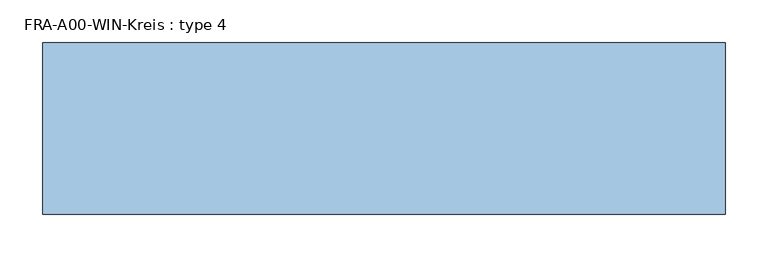
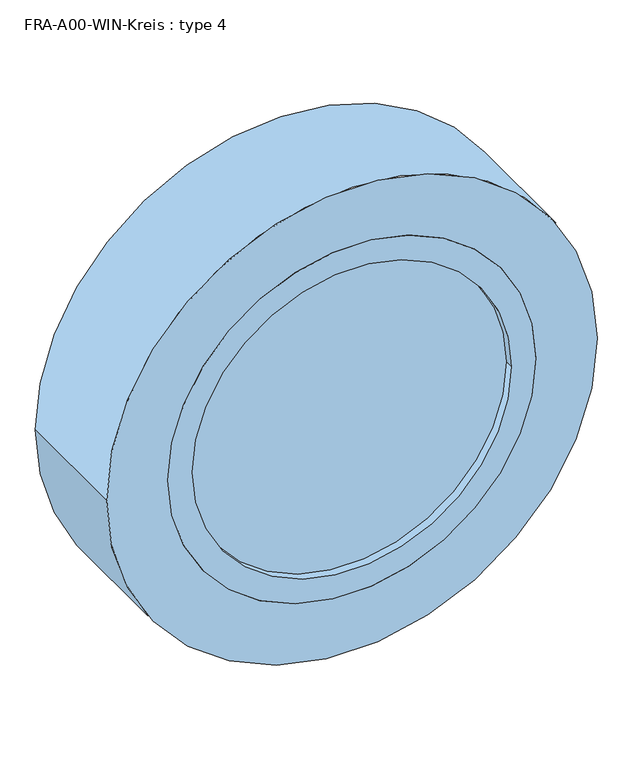
"""IFC4 building model written with IfcOpenShell, lengths in millimetres: window geometry, FRA-A00-WIN-Kreis : type 4."""

import ifcopenshell
import ifcopenshell.guid

model = None  # the IFC model being written
_history = None  # IfcOwnerHistory: only IFC2X3 demands one
_inside = {}  # id of a spatial element -> (the spatial element, [elements in it])
_under = {}  # id of a project, library or spatial element -> (it, [spatial elements below it])
_declared = {}  # id of a project -> (the project, [libraries it declares])
_typed = {}  # id of a type object -> (the type object, [elements of that type])
_made_of = {}  # id of a material, layer set ... -> (it, [elements and type objects made of it])


def new_model(schema):
    """Start an empty IFC model of exactly this schema.

    Asked for "IFC4X3", IfcOpenShell would pick the latest addendum, in which some entities
    have other attributes; the version numbers below select the first issue.
    IFC2X3 requires an IfcOwnerHistory on every rooted entity: one is made here for all.
    """
    global model, _history
    if schema == "IFC4X3":
        model = ifcopenshell.file(schema_version=(4, 3, 0, 0))
    else:
        model = ifcopenshell.file(schema=schema)
    _inside.clear()
    _under.clear()
    _declared.clear()
    _typed.clear()
    _made_of.clear()
    _history = None
    if model.schema == "IFC2X3":
        org = make("IfcOrganization", Name="unknown")
        user = make(
            "IfcPersonAndOrganization",
            ThePerson=make("IfcPerson", FamilyName="unknown"),
            TheOrganization=org,
        )
        app = make(
            "IfcApplication",
            ApplicationDeveloper=org,
            Version="unknown",
            ApplicationFullName="unknown",
            ApplicationIdentifier="unknown",
        )
        _history = make(
            "IfcOwnerHistory",
            OwningUser=user,
            OwningApplication=app,
            ChangeAction="ADDED",
            CreationDate=0,
        )
    return model


def make(cls, **values):
    """One entity of the class cls with the attributes given. An attribute that is None is left unset."""
    return model.create_entity(
        cls, **{name: value for name, value in values.items() if value is not None}
    )


def rooted(cls, **values):
    """An entity with a GlobalId (a new one), such as an element, a storey or a relation."""
    return make(cls, GlobalId=ifcopenshell.guid.new(), OwnerHistory=_history, **values)


def si_unit(unit_type, name, prefix=None):
    """IfcSIUnit, for example si_unit("LENGTHUNIT", "METRE", prefix="MILLI")."""
    return make("IfcSIUnit", UnitType=unit_type, Prefix=prefix, Name=name)


def assignment(units):
    """IfcUnitAssignment: the units of a project."""
    return None if units is None else make("IfcUnitAssignment", Units=units)


def point(xyz):
    """IfcCartesianPoint."""
    return None if xyz is None else make("IfcCartesianPoint", Coordinates=xyz)


def direction(xyz):
    """IfcDirection."""
    return None if xyz is None else make("IfcDirection", DirectionRatios=xyz)


def frame(location, z_axis=None, x_axis=None):
    """IfcAxis2Placement3D, a coordinate frame: its origin and axes. An axis left out is left unset."""
    return make(
        "IfcAxis2Placement3D",
        Location=point(location),
        Axis=direction(z_axis),
        RefDirection=direction(x_axis),
    )


def frame_2d(location, x_axis=None):
    """IfcAxis2Placement2D, a coordinate frame in the plane: its origin and x axis."""
    return make(
        "IfcAxis2Placement2D", Location=point(location), RefDirection=direction(x_axis)
    )


def origin():
    """The frame at (0, 0, 0) with its axes left unset."""
    return frame((0.0, 0.0, 0.0))


def place(relative_to, where):
    """IfcLocalPlacement: puts the frame where relative to a parent placement (None: the world)."""
    return make(
        "IfcLocalPlacement", PlacementRelTo=relative_to, RelativePlacement=where
    )


def context(
    kind, dimensions, precision=None, world=None, true_north=None, identifier=None
):
    """IfcGeometricRepresentationContext, for example the 3D "Model" context."""
    return make(
        "IfcGeometricRepresentationContext",
        ContextIdentifier=identifier,
        ContextType=kind,
        CoordinateSpaceDimension=dimensions,
        Precision=precision,
        WorldCoordinateSystem=world,
        TrueNorth=true_north,
    )


def project(units=None, contexts=None):
    """IfcProject with its units and contexts."""
    return rooted(
        "IfcProject",
        Name="project",
        RepresentationContexts=contexts,
        UnitsInContext=assignment(units),
    )


def spatial(cls, under=None, at=None, **own):
    """A site, building, storey or space (cls), placed at a placement, below another one or the project."""
    s = rooted(cls, ObjectPlacement=at, **own)
    if under is not None:
        _under.setdefault(under.id(), (under, []))[1].append(s)
    return s


def circle_curve(where, radius):
    """IfcCircle in the frame where."""
    return make("IfcCircle", Position=where, Radius=radius)


def trimmed(basis, trim1, trim2, sense, master):
    """IfcTrimmedCurve: the piece of a basis curve between two trims."""
    return make(
        "IfcTrimmedCurve",
        BasisCurve=basis,
        Trim1=trim1,
        Trim2=trim2,
        SenseAgreement=sense,
        MasterRepresentation=master,
    )


def segment(curve, same_sense, transition):
    """IfcCompositeCurveSegment."""
    return make(
        "IfcCompositeCurveSegment",
        Transition=transition,
        SameSense=same_sense,
        ParentCurve=curve,
    )


def composite_curve(segments, self_intersect=None):
    """IfcCompositeCurve: segments joined end to end."""
    return make("IfcCompositeCurve", Segments=segments, SelfIntersect=self_intersect)


def outline(outer, holes=None, kind="AREA"):
    """IfcArbitraryClosedProfileDef: a profile drawn as a closed curve; with holes, ...WithVoids."""
    if holes is None:
        return make("IfcArbitraryClosedProfileDef", ProfileType=kind, OuterCurve=outer)
    return make(
        "IfcArbitraryProfileDefWithVoids",
        ProfileType=kind,
        OuterCurve=outer,
        InnerCurves=holes,
    )


def extrude(swept, where, along, depth):
    """IfcExtrudedAreaSolid: the profile swept, set in the frame where, extruded along a direction by depth."""
    return make(
        "IfcExtrudedAreaSolid",
        SweptArea=swept,
        Position=where,
        ExtrudedDirection=direction(along),
        Depth=depth,
    )


def shape(context_of_items, identifier, shape_type, items):
    """IfcShapeRepresentation: the items that make up one representation, for example the "Body"."""
    return make(
        "IfcShapeRepresentation",
        ContextOfItems=context_of_items,
        RepresentationIdentifier=identifier,
        RepresentationType=shape_type,
        Items=items,
    )


def source(mapping_origin, context_of_items, identifier, shape_type, items):
    """IfcRepresentationMap: a shape defined once, which mapped items show again and again."""
    return make(
        "IfcRepresentationMap",
        MappingOrigin=mapping_origin,
        MappedRepresentation=shape(context_of_items, identifier, shape_type, items),
    )


def transform(
    local_origin,
    x_axis=None,
    y_axis=None,
    z_axis=None,
    scale=None,
    scale2=None,
    scale3=None,
    uniform=True,
):
    """IfcCartesianTransformationOperator3D, or its non-uniform kind. x_axis, y_axis, z_axis: its Axis1, 2, 3."""
    if uniform:
        return make(
            "IfcCartesianTransformationOperator3D",
            Axis1=direction(x_axis),
            Axis2=direction(y_axis),
            LocalOrigin=point(local_origin),
            Scale=scale,
            Axis3=direction(z_axis),
        )
    return make(
        "IfcCartesianTransformationOperator3DnonUniform",
        Axis1=direction(x_axis),
        Axis2=direction(y_axis),
        LocalOrigin=point(local_origin),
        Scale=scale,
        Axis3=direction(z_axis),
        Scale2=scale2,
        Scale3=scale3,
    )


def mapped(mapping_source, mapping_target):
    """IfcMappedItem: shows the shape of a source again, moved by a transform."""
    return make(
        "IfcMappedItem", MappingSource=mapping_source, MappingTarget=mapping_target
    )


def made_of(thing, what):
    """Note that an element or type object is made of a material, layer set ...; save() writes the relation."""
    if what is not None:
        _made_of.setdefault(what.id(), (what, []))[1].append(thing)
    return thing


def element(
    cls,
    number,
    at=None,
    inside=None,
    cuts=None,
    type_object=None,
    material=None,
    context=None,
    identifier="Body",
    shape_type=None,
    held_by="IfcProductDefinitionShape",
    body=None,
    shapes=None,
    **own,
):
    """One element of the class cls, such as IfcWall. Its Tag is "e" and its number.

    at: its placement. inside: the storey or other place that contains it. cuts: it is an
    opening in that element (IfcRelVoidsElement). A single representation is given by context,
    identifier, shape_type and body (its items); several are given by shapes. held_by: the class
    of the entity that holds the representations. save() writes the other relations.
    """
    e = rooted(cls, Tag="e%d" % number, ObjectPlacement=at, **own)
    if body is not None:
        shapes = [shape(context, identifier, shape_type, body)]
    if shapes is not None:
        e.Representation = make(held_by, Representations=shapes)
    if inside is not None:
        _inside.setdefault(inside.id(), (inside, []))[1].append(e)
    if cuts is not None:
        rooted(
            "IfcRelVoidsElement", RelatingBuildingElement=cuts, RelatedOpeningElement=e
        )
    if type_object is not None:
        _typed.setdefault(type_object.id(), (type_object, []))[1].append(e)
    return made_of(e, material)


def aggregate(whole, parts):
    """IfcRelAggregates: a whole, such as a stair, and the parts it consists of."""
    return rooted("IfcRelAggregates", RelatingObject=whole, RelatedObjects=parts)


def save(model, path):
    """Write the relations noted so far, then the file.

    IfcRelAggregates (storeys below a building ...), IfcRelContainedInSpatialStructure (elements
    in a storey), IfcRelDefinesByType, IfcRelAssociatesMaterial and IfcRelDeclares: one each for
    every whole, place, type object, material and project.
    """
    for whole, parts in _under.values():
        aggregate(whole, parts)
    for where, things in _inside.values():
        rooted(
            "IfcRelContainedInSpatialStructure",
            RelatedElements=things,
            RelatingStructure=where,
        )
    for kind, things in _typed.values():
        rooted("IfcRelDefinesByType", RelatedObjects=things, RelatingType=kind)
    for what, things in _made_of.values():
        rooted("IfcRelAssociatesMaterial", RelatedObjects=things, RelatingMaterial=what)
    for by, libraries in _declared.values():
        rooted("IfcRelDeclares", RelatingContext=by, RelatedDefinitions=libraries)
    model.write(path)


def fra_a00_win_kreis_type_4_cd550302(model_context):
    return source(origin(), model_context, "Body", "SweptSolid", [
        extrude(outline(composite_curve([segment(trimmed(circle_curve(frame_2d((1100.0, 0.0)), 260.0), [point((1100.0, -260.0))], [point((1100.0, 260.0))], False, "CARTESIAN"), True, "CONTINUOUS"), segment(trimmed(circle_curve(frame_2d((1100.0, 0.0)), 260.0), [point((1100.0, 260.0))], [point((1100.0, -260.0))], False, "CARTESIAN"), True, "CONTINUOUS")], self_intersect=False)), frame((0.0, 13.8312876, 0.0), z_axis=(0.0, 1.0, 0.0), x_axis=(0.0, 0.0, 1.0)), (0.0, 0.0, 1.0), 11.9097957),
        extrude(outline(composite_curve([segment(trimmed(circle_curve(frame_2d((1100.0, 0.0)), 300.0), [point((1100.0, 300.0))], [point((1100.0, -300.0))], False, "CARTESIAN"), True, "CONTINUOUS"), segment(trimmed(circle_curve(frame_2d((1100.0, 0.0)), 300.0), [point((1100.0, -300.0))], [point((1100.0, 300.0))], False, "CARTESIAN"), True, "CONTINUOUS")], self_intersect=False), holes=[composite_curve([segment(trimmed(circle_curve(frame_2d((1100.0, 0.0)), 260.0), [point((1100.0, -260.0))], [point((1100.0, 260.0))], True, "CARTESIAN"), True, "CONTINUOUS"), segment(trimmed(circle_curve(frame_2d((1100.0, 0.0)), 260.0), [point((1100.0, 260.0))], [point((1100.0, -260.0))], True, "CARTESIAN"), True, "CONTINUOUS")], self_intersect=False)]), frame((0.0, 0.0, 0.0), z_axis=(0.0, 1.0, 0.0), x_axis=(0.0, 0.0, 1.0)), (0.0, 0.0, 1.0), 40.0),
        extrude(outline(composite_curve([segment(trimmed(circle_curve(frame_2d((1100.0, 0.0)), 400.0), [point((1100.0, 400.0))], [point((1100.0, -400.0))], False, "CARTESIAN"), True, "CONTINUOUS"), segment(trimmed(circle_curve(frame_2d((1100.0, 0.0)), 400.0), [point((1100.0, -400.0))], [point((1100.0, 400.0))], False, "CARTESIAN"), True, "CONTINUOUS")], self_intersect=False), holes=[composite_curve([segment(trimmed(circle_curve(frame_2d((1100.0, 0.0)), 300.0), [point((1100.0, -300.0))], [point((1100.0, 300.0))], True, "CARTESIAN"), True, "CONTINUOUS"), segment(trimmed(circle_curve(frame_2d((1100.0, 0.0)), 300.0), [point((1100.0, 300.0))], [point((1100.0, -300.0))], True, "CARTESIAN"), True, "CONTINUOUS")], self_intersect=False)]), frame((0.0, 0.0, 0.0), z_axis=(0.0, 1.0, 0.0), x_axis=(0.0, 0.0, 1.0)), (0.0, 0.0, 1.0), 201.0),
    ])


if __name__ == "__main__":
    model = new_model("IFC4")
    model_context = context("Model", 3, world=origin())
    ifc_project = project(units=[si_unit("LENGTHUNIT", "METRE", prefix="MILLI")], contexts=[model_context])
    site = spatial("IfcSite", under=ifc_project)
    building = spatial("IfcBuilding", under=site)
    placement = place(None, origin())
    fra_a00_win_kreis_type_4_shape = fra_a00_win_kreis_type_4_cd550302(model_context)
    element("IfcWindow", 1, ObjectType="FRA-A00-WIN-Kreis : type 4", at=placement, inside=building, context=model_context, shape_type="MappedRepresentation", body=[
        mapped(fra_a00_win_kreis_type_4_shape, transform((0.0, 0.0, 0.0), x_axis=(1.0, 0.0, 0.0), y_axis=(0.0, 1.0, 0.0), z_axis=(0.0, 0.0, 1.0))),
    ])
    save(model, "model.ifc")
